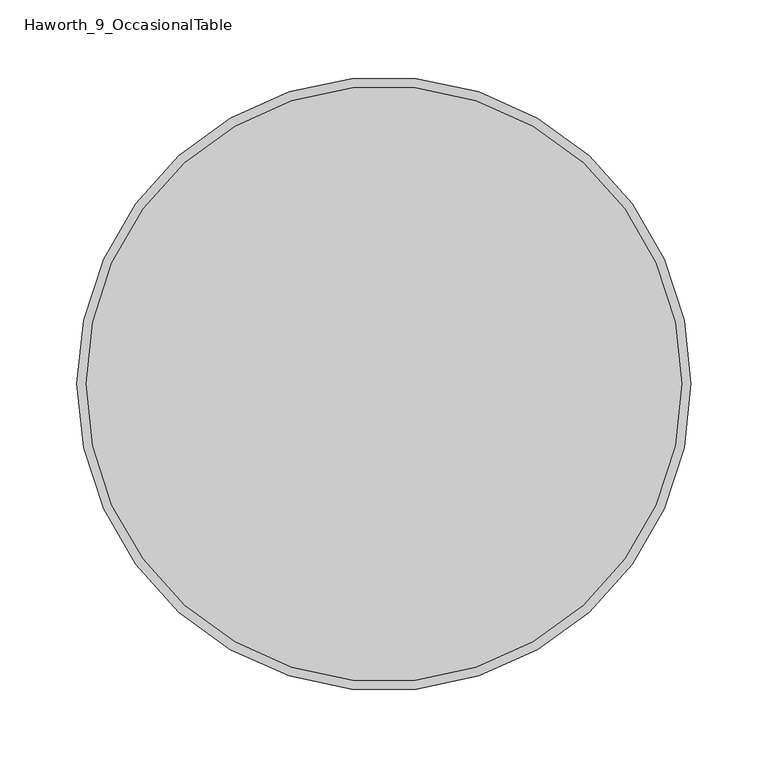
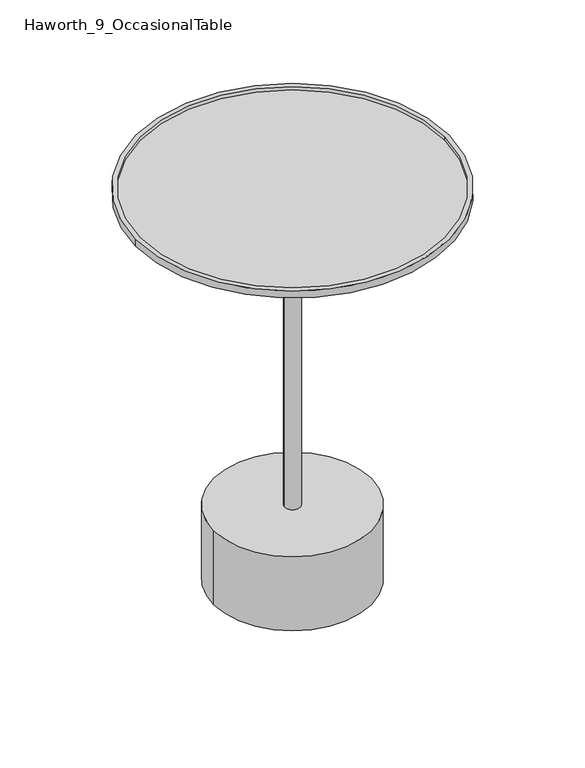
"""IFC4 building model written with IfcOpenShell, lengths in millimetres: furniture geometry, Haworth_9_OccasionalTable."""

from ifc_helpers import new_model, si_unit, point, frame, frame_2d, origin, origin_with_axes, place, context, project, spatial, polyline, circle_curve, ellipse_curve, trimmed, segment, composite_curve, outline, extrude, source, transform, mapped, element, save
from ifc_brep_helpers import plane_surface, cylinder_surface, revolved_surface, advanced_brep


def haworth_9_occasionaltable_a2e39f88(model_context):
    return source(origin(), model_context, "Body", "SolidModel", [
        advanced_brep(
        [(-311.4894208, -292.1, 509.0252728), (0.5988445, -292.1, 509.0252728), (43.9447118, -292.1, 519.7411912), (-354.8352882, -292.1, 519.7411912), (37.9917249, -292.1, 524.4110299), (-348.8823012, -292.1, 524.4110299), (-354.8352882, -292.1, 529.0441817), (43.9447118, -292.1, 529.0441817), (-348.8823012, -292.1, 529.0441817), (37.9917249, -292.1, 529.0441817)],
        [
            (0, 1, circle_curve(frame((-155.4452882, -292.1, 509.0252728), z_axis=(0.0, 0.0, -1.0), x_axis=(1.0, 0.0, 0.0)), 156.0441327)),
            (1, 0, circle_curve(frame((-155.4452882, -292.1, 509.0252728), z_axis=(0.0, 0.0, -1.0), x_axis=(-1.0, 0.0, 0.0)), 156.0441327)),
            (1, 2),
            (2, 3, circle_curve(frame((-155.4452882, -292.1, 519.7411912), z_axis=(0.0, 0.0, -1.0), x_axis=(-1.0, 0.0, 0.0)), 199.39)),
            (3, 0),
            (3, 2, circle_curve(frame((-155.4452882, -292.1, 519.7411912), z_axis=(0.0, 0.0, -1.0), x_axis=(1.0, 0.0, 0.0)), 199.39)),
            (4, 5, circle_curve(frame((-155.4452882, -292.1, 524.4110299), z_axis=(0.0, 0.0, 1.0), x_axis=(1.0, 0.0, 0.0)), 193.437013)),
            (5, 4, circle_curve(frame((-155.4452882, -292.1, 524.4110299), z_axis=(0.0, 0.0, 1.0), x_axis=(1.0, 0.0, 0.0)), 193.437013)),
            (6, 7, circle_curve(frame((-155.4452882, -292.1, 529.0441817), z_axis=(0.0, 0.0, 1.0), x_axis=(1.0, 0.0, 0.0)), 199.39)),
            (7, 6, circle_curve(frame((-155.4452882, -292.1, 529.0441817), z_axis=(0.0, 0.0, 1.0), x_axis=(1.0, 0.0, 0.0)), 199.39)),
            (8, 9, circle_curve(frame((-155.4452882, -292.1, 529.0441817), z_axis=(0.0, 0.0, -1.0), x_axis=(1.0, 0.0, 0.0)), 193.437013)),
            (9, 8, circle_curve(frame((-155.4452882, -292.1, 529.0441817), z_axis=(0.0, 0.0, -1.0), x_axis=(1.0, 0.0, 0.0)), 193.437013)),
            (6, 3),
            (2, 7),
            (8, 5),
            (4, 9),
        ],
        [
            plane_surface(frame((-155.4452882, -292.1, 509.0252728), z_axis=(0.0, 0.0, -1.0), x_axis=(0.0, -1.0, 0.0))),
            revolved_surface(polyline([(0.5988444146118184, -292.1, 509.0252728), (43.94471179999999, -292.1, 519.7411912)]), (-155.4452882, -292.1, 470.4482113), (0.0, 0.0, 1.0)),
            revolved_surface(polyline([(-311.4894208146118, -292.1, 509.0252728), (-354.8352882, -292.1, 519.7411912)]), (-155.4452882, -292.1, 470.4482113), (0.0, 0.0, 1.0)),
            plane_surface(frame((37.9917249, -292.1, 524.4110299), z_axis=(0.0, 0.0, 1.0), x_axis=(0.0, 1.0, 0.0))),
            plane_surface(frame((43.9447118, -292.1, 529.0441817), z_axis=(0.0, 0.0, 1.0), x_axis=(0.0, 1.0, 0.0))),
            cylinder_surface(frame((-155.4452882, -292.1, 519.7411912), z_axis=(0.0, 0.0, 1.0), x_axis=(1.0, 0.0, 0.0)), 199.39),
            revolved_surface(polyline([(37.991724800000014, -292.1, 524.4110299), (37.991724800000014, -292.1, 529.0441817)]), (-155.4452882, -292.1, 0.0), (0.0, 0.0, -1.0)),
        ],
        [
            (0, [[1, 2]]),
            (1, [[-2, 3, 4, 5]]),
            (2, [[-1, -5, 6, -3]]),
            (3, [[7, 8]]),
            (4, [[9, 10], [11, 12]]),
            (5, [[-9, 13, -4, 14]]),
            (5, [[-10, -14, -6, -13]]),
            (6, [[-11, 15, -7, 16]]),
            (6, [[-12, -16, -8, -15]]),
        ],
    ),
        advanced_brep(
        [(-284.8188626, -292.1027186, 509.0252728), (-26.0717137, -292.1027186, 509.0252728), (-155.4452882, -292.1027186, 509.0252728), (-284.5696781, -292.1027186, 504.3091674), (-26.3208982, -292.1027186, 504.3091674), (-281.0894483, -292.1027186, 500.8065109), (-29.801128, -292.1027186, 500.8065109), (-165.4613858, -292.1027186, 493.9520286), (-145.4291905, -292.1027186, 493.9520286), (-155.4452882, -292.1027186, 493.9520286)],
        [
            (0, 1, circle_curve(frame((-155.4452882, -292.1027186, 509.0252728), z_axis=(0.0, 0.0, 1.0), x_axis=(1.0, 0.0, 0.0)), 129.3735745)),
            (1, 2),
            (2, 0),
            (1, 0, circle_curve(frame((-155.4452882, -292.1027186, 509.0252728), z_axis=(0.0, 0.0, 1.0), x_axis=(1.0, 0.0, 0.0)), 129.3735745)),
            (3, 4, circle_curve(frame((-155.4452882, -292.1027186, 504.3091674), z_axis=(0.0, 0.0, 1.0), x_axis=(1.0, 0.0, 0.0)), 129.12439)),
            (4, 1),
            (0, 3),
            (4, 3, circle_curve(frame((-155.4452882, -292.1027186, 504.3091674), z_axis=(0.0, 0.0, 1.0), x_axis=(1.0, 0.0, 0.0)), 129.12439)),
            (5, 6, circle_curve(frame((-155.4452882, -292.1027186, 500.8065109), z_axis=(0.0, 0.0, 1.0), x_axis=(1.0, 0.0, 0.0)), 125.6441602)),
            (6, 4, circle_curve(frame((-30.0203544, -292.1027186, 504.5046353), z_axis=(0.0, -1.0, 0.0), x_axis=(-1.0, 0.0, 0.0)), 3.7046166)),
            (3, 5, circle_curve(frame((-280.8702219, -292.1027186, 504.5046353), z_axis=(0.0, -1.0, 0.0), x_axis=(1.0, 0.0, 0.0)), 3.7046166)),
            (6, 5, circle_curve(frame((-155.4452882, -292.1027186, 500.8065109), z_axis=(0.0, 0.0, 1.0), x_axis=(1.0, 0.0, 0.0)), 125.6441602)),
            (7, 8, circle_curve(frame((-155.4452882, -292.1027186, 493.9520286), z_axis=(0.0, 0.0, 1.0), x_axis=(1.0, 0.0, 0.0)), 10.0160977)),
            (8, 6),
            (5, 7),
            (8, 7, circle_curve(frame((-155.4452882, -292.1027186, 493.9520286), z_axis=(0.0, 0.0, 1.0), x_axis=(1.0, 0.0, 0.0)), 10.0160977)),
            (9, 8),
            (7, 9),
        ],
        [
            plane_surface(frame((-155.4452882, -292.1027186, 509.0252728), z_axis=(0.0, 0.0, 1.0), x_axis=(1.0, 0.0, 0.0))),
            revolved_surface(polyline([(-26.0717137, -292.1027186, 509.0252728), (-26.3208982, -292.1027186, 504.3091674)]), (-155.4452882, -292.1027186, 509.0252728), (0.0, 0.0, -1.0)),
            revolved_surface(trimmed(ellipse_curve(frame((-30.0203544, -292.1027186, 504.5046353), z_axis=(0.0, 1.0, 0.0), x_axis=(-1.0, 0.0, 0.0)), 3.7046166, 3.7046166), [point((-26.3208982, -292.1027186, 504.3091674))], [point((-29.801128, -292.1027186, 500.8065109))], True, "CARTESIAN"), (-155.4452882, -292.1027186, 509.0252728), (0.0, 0.0, -1.0)),
            revolved_surface(polyline([(-29.801128, -292.1027186, 500.8065109), (-145.4291905, -292.1027186, 493.9520286)]), (-155.4452882, -292.1027186, 509.0252728), (0.0, 0.0, -1.0)),
            plane_surface(frame((-155.4452882, -292.1027186, 493.9520286), z_axis=(0.0, 0.0, -1.0), x_axis=(1.0, 0.0, 0.0))),
        ],
        [
            (0, [[1, 2, 3]]),
            (0, [[4, -3, -2]]),
            (1, [[5, 6, -1, 7]]),
            (1, [[8, -7, -4, -6]]),
            (2, [[9, 10, -5, 11]]),
            (2, [[12, -11, -8, -10]]),
            (3, [[13, 14, -9, 15]]),
            (3, [[16, -15, -12, -14]]),
            (4, [[17, -13, 18]]),
            (4, [[-18, -16, -17]]),
        ],
    ),
        extrude(outline(composite_curve([segment(trimmed(circle_curve(frame_2d((-155.4452882, -292.1)), 10.0160977), [point((-165.4613858, -292.1))], [point((-145.4291905, -292.1))], False, "CARTESIAN"), True, "CONTINUOUS"), segment(trimmed(circle_curve(frame_2d((-155.4452882, -292.1)), 10.0160977), [point((-145.4291905, -292.1))], [point((-165.4613858, -292.1))], False, "CARTESIAN"), True, "CONTINUOUS")], self_intersect=False)), frame((0.0, 0.0, 102.5745621), z_axis=(0.0, 0.0, 1.0), x_axis=(1.0, 0.0, 0.0)), (0.0, 0.0, 1.0), 391.3774665),
        extrude(outline(composite_curve([segment(trimmed(circle_curve(frame_2d((-155.4452882, -292.1)), 95.0996992), [point((-250.5449874, -292.1))], [point((-60.3455889, -292.1))], False, "CARTESIAN"), True, "CONTINUOUS"), segment(trimmed(circle_curve(frame_2d((-155.4452882, -292.1)), 95.0996992), [point((-60.3455889, -292.1))], [point((-250.5449874, -292.1))], False, "CARTESIAN"), True, "CONTINUOUS")], self_intersect=False)), origin_with_axes(), (0.0, 0.0, 1.0), 3.0065621),
        extrude(outline(composite_curve([segment(trimmed(circle_curve(frame_2d((-155.4452882, -292.1)), 100.2289836), [point((-255.6742718, -292.1))], [point((-55.2163045, -292.1))], False, "CARTESIAN"), True, "CONTINUOUS"), segment(trimmed(circle_curve(frame_2d((-155.4452882, -292.1)), 100.2289836), [point((-55.2163045, -292.1))], [point((-255.6742718, -292.1))], False, "CARTESIAN"), True, "CONTINUOUS")], self_intersect=False)), frame((0.0, 0.0, 3.0065621), z_axis=(0.0, 0.0, 1.0), x_axis=(1.0, 0.0, 0.0)), (0.0, 0.0, 1.0), 99.568),
    ])


if __name__ == "__main__":
    model = new_model("IFC4")
    model_context = context("Model", 3, world=origin())
    ifc_project = project(units=[si_unit("LENGTHUNIT", "METRE", prefix="MILLI")], contexts=[model_context])
    site = spatial("IfcSite", under=ifc_project)
    building = spatial("IfcBuilding", under=site)
    placement = place(None, origin())
    haworth_9_occasionaltable_shape = haworth_9_occasionaltable_a2e39f88(model_context)
    element("IfcFurniture", 1, ObjectType="Haworth_9_OccasionalTable", at=placement, inside=building, context=model_context, shape_type="MappedRepresentation", body=[
        mapped(haworth_9_occasionaltable_shape, transform((0.0, 0.0, 0.0), x_axis=(1.0, 0.0, 0.0), y_axis=(0.0, 1.0, 0.0), z_axis=(0.0, 0.0, 1.0))),
    ])
    save(model, "model.ifc")
